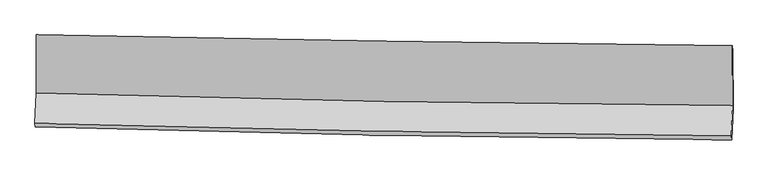
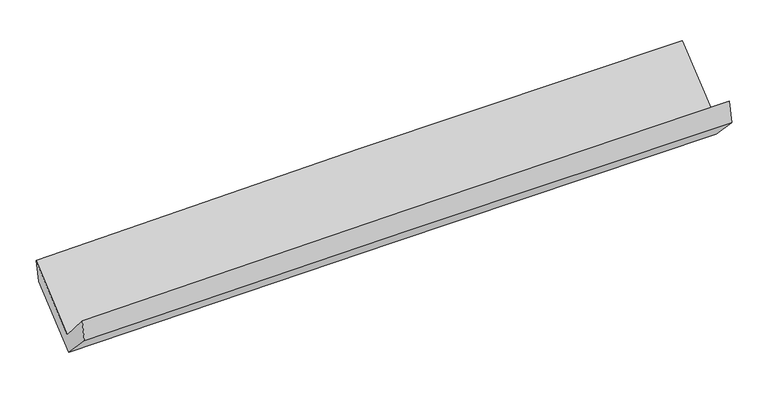
"""IFC4 building model written with IfcOpenShell, lengths in millimetres: proxy geometry."""

from ifc_helpers import new_model, si_unit, frame, origin, place, context, project, spatial, source, transform, mapped, element, save
from ifc_brep_helpers import plane_surface, spline_curve, spline_surface, advanced_brep


def generic_models_e82fc110(model_context):
    return source(origin(), model_context, "Body", "AdvancedBrep", [
        advanced_brep(
        [(-3018.9357233, -1153.3380551, 2166.5239819), (-3017.2418333, -1659.4244187, 1729.715531), (3008.4567294, -1767.2349692, 1872.6155934), (3006.8864131, -1247.6302402, 2300.8504515), (-3029.510369, -1924.1144674, 2036.3379016), (2996.3345162, -2028.7681546, 2175.580989), (-3025.437283, -1951.6444789, 1850.6451865), (3000.3559133, -2066.7196077, 1987.4283258), (-3013.5601007, -1679.2932748, 1565.511132), (3012.2223448, -1794.3927606, 1702.3197112), (-3015.0306395, -1190.9184599, 1980.3587512), (3010.384648, -1291.0948218, 2129.8308908)],
        [
            (0, 1),
            (1, 2, spline_curve(3, [(-3017.2418333, -1659.4244187, 1729.715531), (-2013.546215923, -1689.519170179, 1769.011958276), (-1009.56213558, -1713.550728014, 1800.568466844), (999.004040002, -1749.487832691, 1848.202145865), (2003.586146884, -1761.39312512, 1864.278991732), (3008.4567294, -1767.2349692, 1872.6155934)], [4, 2, 4], [0.0, 9.88904803264048, 19.778303718540386])),
            (2, 3),
            (3, 0, spline_curve(3, [(3006.8864131, -1247.6302402, 2300.8504515), (2002.138450432, -1236.774583703, 2293.364441526), (997.607354744, -1223.488965628, 2278.42736839), (-1011.000015089, -1192.058135166, 2233.651565913), (-2015.076298128, -1173.91302516, 2203.813148996), (-3018.9357233, -1153.3380551, 2166.5239819)], [4, 2, 4], [0.0, 9.889255685899906, 19.778303718540386])),
            (1, 4),
            (4, 5, spline_curve(3, [(-3029.510369, -1924.1144674, 2036.3379016), (-2025.738226225, -1952.558201194, 2073.721756176), (-1021.703689003, -1975.501174978, 2104.017226406), (986.911261537, -2010.385968079, 2150.431886704), (1991.491686536, -2022.327557062, 2166.550778642), (2996.3345162, -2028.7681546, 2175.580989)], [4, 2, 4], [0.0, 9.889368278148716, 19.77894421628147])),
            (5, 2),
            (4, 6),
            (6, 7, spline_curve(3, [(-3025.437283, -1951.6444789, 1850.6451865), (-2021.624139136, -1980.875151302, 1886.261666952), (-1017.573408638, -2005.0800334, 1915.468449682), (991.024313391, -2043.438620929, 1961.063098818), (1995.571315268, -2057.592114617, 1977.450695627), (3000.3559133, -2066.7196077, 1987.4283258)], [4, 2, 4], [0.0, 9.88936215738759, 19.778931974630694])),
            (7, 5),
            (6, 8),
            (8, 9, spline_curve(3, [(-3013.5601007, -1679.2932748, 1565.511132), (-2009.749185035, -1708.538013687, 1601.142330056), (-1005.7004647, -1732.751959065, 1630.358591538), (1002.893674016, -1771.118665748, 1675.961720451), (2007.439101873, -1785.271215388, 1692.348318746), (3012.2223448, -1794.3927606, 1702.3197112)], [4, 2, 4], [0.0, 9.889391871840035, 19.778991404159537])),
            (9, 7),
            (8, 10),
            (10, 11, spline_curve(3, [(-3015.0306395, -1190.9184599, 1980.3587512), (-2011.271227867, -1220.106891713, 2016.035737558), (-1007.2788557, -1243.049115764, 2046.330167843), (1001.192897131, -1276.441498624, 2096.154440664), (2005.672287459, -1286.891395139, 2115.684056522), (3010.384648, -1291.0948218, 2129.8308908)], [4, 2, 4], [0.0, 9.889098863889295, 19.778405382105387])),
            (11, 9),
            (10, 0),
            (3, 11),
        ],
        [
            spline_surface(3, 3, [[(-3018.9357233, -1153.3380551, 2166.5239819), (-2015.076297973, -1173.913025059, 2203.813149056), (-1011.000015011, -1192.058135188, 2233.651565757), (997.607354666, -1223.488965606, 2278.427368546), (2002.138450535, -1236.774583835, 2293.364441687), (3006.8864131, -1247.6302402, 2300.8504515)], [(-3018.371093316, -1322.033509634, 2020.921164949), (-2014.566270666, -1345.781740135, 2058.87941882), (-1010.520721859, -1365.888999456, 2089.290532745), (998.072916413, -1398.821921331, 2135.018961005), (2002.621016032, -1411.647430962, 2150.335958345), (3007.409851873, -1420.831816516, 2158.105498819)], [(-3017.806463284, -1490.728964166, 1875.318347951), (-2014.056243312, -1517.650455208, 1913.945688536), (-1010.041428671, -1539.719863689, 1944.929499765), (998.538478194, -1574.154877022, 1991.610553496), (2003.10358151, -1586.52027814, 2007.307474946), (3007.933290627, -1594.033392884, 2015.360546081)], [(-3017.2418333, -1659.4244187, 1729.715531), (-2013.546216005, -1689.519170284, 1769.0119583), (-1009.562135518, -1713.550727958, 1800.568466753), (999.004039941, -1749.487832747, 1848.202145955), (2003.586147007, -1761.393125268, 1864.278991605), (3008.4567294, -1767.2349692, 1872.6155934)]], [4, 4], [4, 2, 4], [0.0, 2.2267138837407296], [0.0, 9.88904803264048, 19.778303718540386]),
            spline_surface(3, 3, [[(-3017.2418333, -1659.4244187, 1729.715531), (-2013.546216005, -1689.519170284, 1769.0119583), (-1009.562135518, -1713.550727958, 1800.568466753), (999.004039941, -1749.487832747, 1848.202145955), (2003.586147007, -1761.393125268, 1864.278991605), (3008.4567294, -1767.2349692, 1872.6155934)], [(-3021.331345182, -1747.654434937, 1831.922987855), (-2017.610219346, -1777.198847244, 1870.581890872), (-1013.609320028, -1800.867543586, 1901.71805333), (994.973113843, -1836.453877915, 1948.945392852), (1999.554660125, -1848.371269182, 1965.036253936), (3004.41599166, -1854.412697678, 1973.604058576)], [(-3025.420857118, -1835.884451163, 1934.130444745), (-2021.674222741, -1864.878524195, 1972.151823478), (-1017.656504571, -1888.184359196, 2002.867639897), (990.942187712, -1923.419923065, 2049.688639738), (1995.523173265, -1935.349413062, 2065.793516341), (3000.37525394, -1941.590426122, 2074.592523824)], [(-3029.510369, -1924.1144674, 2036.3379016), (-2025.738226081, -1952.558201155, 2073.721756051), (-1021.70368908, -1975.501174824, 2104.017226475), (986.911261615, -2010.385968233, 2150.431886635), (1991.491686384, -2022.327556977, 2166.550778673), (2996.3345162, -2028.7681546, 2175.580989)]], [4, 4], [4, 2, 4], [0.0, 1.3131603531983573], [0.0, 9.889368278148716, 19.77894421628147]),
            spline_surface(3, 3, [[(-3029.510369, -1924.1144674, 2036.3379016), (-2025.738226081, -1952.558201155, 2073.721756051), (-1021.70368908, -1975.501174824, 2104.017226475), (986.911261615, -2010.385968233, 2150.431886635), (1991.491686384, -2022.327556977, 2166.550778673), (2996.3345162, -2028.7681546, 2175.580989)], [(-3028.152673685, -1933.291137901, 1974.440329921), (-2024.366863767, -1961.99718449, 2011.23505972), (-1020.326928963, -1985.360794362, 2041.167634267), (988.282278882, -2021.403519077, 2087.308957352), (1992.851562652, -2034.082409571, 2103.517417693), (2997.674981924, -2041.418638963, 2112.8634346)], [(-3026.794978315, -1942.467808399, 1912.542758179), (-2022.995501398, -1971.436167821, 1948.748363325), (-1018.950168813, -1995.220413963, 1978.31804199), (989.653296183, -2032.421069983, 2024.186028001), (1994.211438847, -2045.837262174, 2040.484056715), (2999.015447576, -2054.069123337, 2050.1458802)], [(-3025.437283, -1951.6444789, 1850.6451865), (-2021.624139083, -1980.875151156, 1886.261666995), (-1017.573408696, -2005.080033502, 1915.468449782), (991.02431345, -2043.438620827, 1961.063098718), (1995.571315115, -2057.592114768, 1977.450695735), (3000.3559133, -2066.7196077, 1987.4283258)]], [4, 4], [4, 2, 4], [0.0, 0.6285449784912776], [0.0, 9.88936215738759, 19.778931974630694]),
            spline_surface(3, 3, [[(-3025.437283, -1951.6444789, 1850.6451865), (-2021.624139083, -1980.875151156, 1886.261666995), (-1017.573408696, -2005.080033502, 1915.468449782), (991.02431345, -2043.438620827, 1961.063098718), (1995.571315115, -2057.592114768, 1977.450695735), (3000.3559133, -2066.7196077, 1987.4283258)], [(-3021.47822221, -1860.860744198, 1755.600501665), (-2017.665821038, -1890.096105338, 1791.221887958), (-1013.615760658, -1914.30400872, 1820.431830321), (994.980766935, -1952.665302449, 1866.029305988), (1999.527244057, -1966.818481689, 1882.416570089), (3004.31139044, -1975.943992, 1892.39212094)], [(-3017.51916149, -1770.077009502, 1660.555816835), (-2013.707503062, -1799.317059527, 1696.182108927), (-1009.658112624, -1823.52798392, 1725.395210891), (998.937220417, -1861.891984053, 1770.99551329), (2003.483173079, -1876.044848609, 1787.382444423), (3008.26686766, -1885.1683763, 1797.35591606)], [(-3013.5601007, -1679.2932748, 1565.511132), (-2009.749185016, -1708.538013709, 1601.142329891), (-1005.700464586, -1732.751959138, 1630.358591429), (1002.893673902, -1771.118665675, 1675.96172056), (2007.439102022, -1785.271215529, 1692.348318777), (3012.2223448, -1794.3927606, 1702.3197112)]], [4, 4], [4, 2, 4], [0.0, 1.2941094314658759], [0.0, 9.889391871840035, 19.778991404159537]),
            spline_surface(3, 3, [[(-3013.5601007, -1679.2932748, 1565.511132), (-2009.749185016, -1708.538013709, 1601.142329891), (-1005.700464586, -1732.751959138, 1630.358591429), (1002.893673902, -1771.118665675, 1675.96172056), (2007.439102022, -1785.271215529, 1692.348318777), (3012.2223448, -1794.3927606, 1702.3197112)], [(-3014.050280323, -1516.501669804, 1703.793671737), (-2010.256532653, -1545.727639683, 1739.440132411), (-1006.226594935, -1569.517677985, 1769.015783601), (1002.326748301, -1606.226276664, 1816.02596055), (2006.850163815, -1619.144608772, 1833.460231384), (3011.609779221, -1626.626780985, 1844.823437748)], [(-3014.540459877, -1353.710064896, 1842.076211463), (-2010.763880223, -1382.917265745, 1877.73793492), (-1006.752725302, -1406.283396866, 1907.672975789), (1001.759822683, -1441.333887687, 1956.090200556), (2006.261225546, -1453.018002058, 1974.57214395), (3010.997213579, -1458.860801415, 1987.327164252)], [(-3015.0306395, -1190.9184599, 1980.3587512), (-2011.271227859, -1220.106891719, 2016.035737439), (-1007.278855652, -1243.049115713, 2046.330167961), (1001.192897083, -1276.441498675, 2096.154440546), (2005.672287339, -1286.891395301, 2115.684056557), (3010.384648, -1291.0948218, 2129.8308908)]], [4, 4], [4, 2, 4], [0.0, 2.1187380069472077], [0.0, 9.889098863889295, 19.778405382105387]),
            spline_surface(3, 3, [[(-3015.0306395, -1190.9184599, 1980.3587512), (-2011.271227859, -1220.106891719, 2016.035737439), (-1007.278855652, -1243.049115713, 2046.330167961), (1001.192897083, -1276.441498675, 2096.154440546), (2005.672287339, -1286.891395301, 2115.684056557), (3010.384648, -1291.0948218, 2129.8308908)], [(-3016.332334085, -1178.391658327, 2042.413828073), (-2012.539584549, -1204.708936192, 2078.628207951), (-1008.5192421, -1226.052122213, 2108.770633893), (999.997716282, -1258.790654328, 2156.912083212), (2004.494341719, -1270.185791503, 2174.910851585), (3009.218569682, -1276.606627957, 2186.837411018)], [(-3017.634028715, -1165.864856673, 2104.468905027), (-2013.807941283, -1189.310980586, 2141.220678545), (-1009.759628563, -1209.055128687, 2171.211099826), (998.802535467, -1241.139809954, 2217.66972588), (2003.316396155, -1253.480187633, 2234.137646659), (3008.052491418, -1262.118434043, 2243.843931282)], [(-3018.9357233, -1153.3380551, 2166.5239819), (-2015.076297973, -1173.913025059, 2203.813149056), (-1011.000015011, -1192.058135188, 2233.651565757), (997.607354666, -1223.488965606, 2278.427368546), (2002.138450535, -1236.774583835, 2293.364441687), (3006.8864131, -1247.6302402, 2300.8504515)]], [4, 4], [4, 2, 4], [0.0, 0.6299245443400316], [0.0, 9.888761089653459, 19.777729826541027]),
            plane_surface(frame((3005.7734275, -1699.306759, 2028.104327), z_axis=(0.9995370729622806, -0.017493957339284584, 0.024891790425930434), x_axis=(-0.002782862541331776, 0.762154578099797, 0.647389106146834))),
            plane_surface(frame((-3019.9526581, -1593.1221925, 1888.1820807), z_axis=(-0.9995384291093629, 0.017863547444044177, -0.02457279809671236), x_axis=(0.020557335325908428, -0.19783262793068365, -0.9800202280005949))),
        ],
        [
            (0, [[1, 2, 3, 4]]),
            (1, [[5, 6, 7, -2]]),
            (2, [[8, 9, 10, -6]]),
            (3, [[11, 12, 13, -9]]),
            (4, [[14, 15, 16, -12]]),
            (5, [[17, -4, 18, -15]]),
            (6, [[-16, -18, -3, -7, -10, -13]]),
            (7, [[-17, -14, -11, -8, -5, -1]]),
        ],
    ),
    ])


if __name__ == "__main__":
    model = new_model("IFC4")
    model_context = context("Model", 3, world=origin())
    ifc_project = project(units=[si_unit("LENGTHUNIT", "METRE", prefix="MILLI")], contexts=[model_context])
    site = spatial("IfcSite", under=ifc_project)
    building = spatial("IfcBuilding", under=site)
    placement = place(None, origin())
    generic_models_shape = generic_models_e82fc110(model_context)
    element("IfcBuildingElementProxy", 1, Name="Generic Models", at=placement, inside=building, context=model_context, shape_type="MappedRepresentation", body=[
        mapped(generic_models_shape, transform((0.0, 0.0, 0.0), x_axis=(1.0, 0.0, 0.0), y_axis=(0.0, 1.0, 0.0), z_axis=(0.0, 0.0, 1.0))),
    ])
    save(model, "model.ifc")
